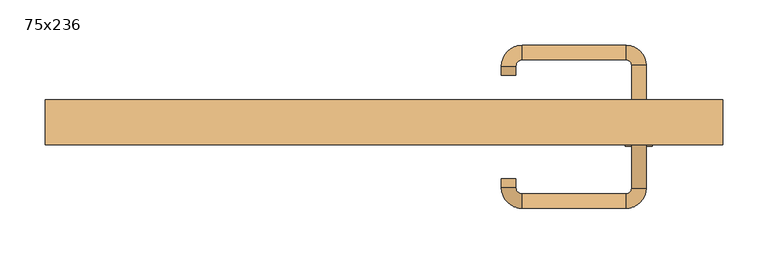
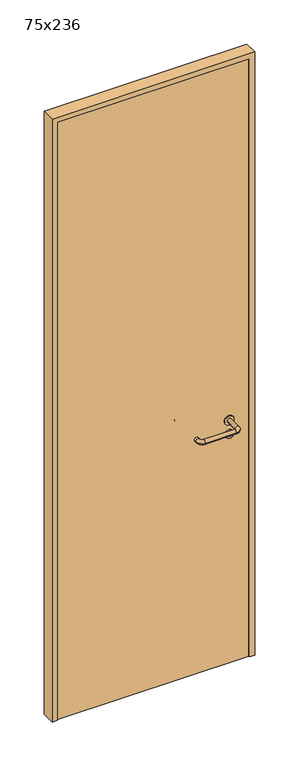
"""IFC4 building model written with IfcOpenShell, lengths in millimetres: door geometry, 75x236."""

from ifc_helpers import new_model, si_unit, point, frame, frame_2d, origin, origin_with_axes, place, context, project, spatial, polyline, circle_curve, ellipse_curve, trimmed, segment, composite_curve, outline, extrude, source, transform, mapped, element, save
from ifc_brep_helpers import plane_surface, cylinder_surface, revolved_surface, advanced_brep


def door_75x236_5211ec4a(model_context):
    return source(origin(), model_context, "Body", "SolidModel", [
        extrude(outline(composite_curve([segment(trimmed(circle_curve(frame_2d((897.3605726, 282.0)), 15.0), [point((897.3605726, 297.0))], [point((897.3605726, 267.0))], False, "CARTESIAN"), True, "CONTINUOUS"), segment(trimmed(circle_curve(frame_2d((897.3605726, 282.0)), 15.0), [point((897.3605726, 267.0))], [point((897.3605726, 297.0))], False, "CARTESIAN"), True, "CONTINUOUS")], self_intersect=False), holes=[composite_curve([segment(trimmed(circle_curve(frame_2d((892.5833211, 281.9398032)), 2.0), [point((892.5833211, 283.9398032))], [point((892.5833211, 279.9398032))], True, "CARTESIAN"), True, "CONTINUOUS"), segment(polyline([(892.5833211, 279.9398032), (902.5833211, 279.9398032)]), True, "CONTINUOUS"), segment(trimmed(circle_curve(frame_2d((902.5833211, 281.9398032)), 2.0), [point((902.5833211, 279.9398032))], [point((902.5833211, 283.9398032))], True, "CARTESIAN"), True, "CONTINUOUS"), segment(polyline([(902.5833211, 283.9398032), (892.5833211, 283.9398032)]), True, "CONTINUOUS")], self_intersect=False)]), frame((0.0, -15.0, 0.0), z_axis=(0.0, 1.0, 0.0), x_axis=(0.0, 0.0, 1.0)), (0.0, 0.0, 1.0), 6.35),
        extrude(outline(composite_curve([segment(trimmed(circle_curve(frame_2d((950.0, 282.0)), 17.526), [point((950.0, 299.526))], [point((950.0, 264.474))], False, "CARTESIAN"), True, "CONTINUOUS"), segment(trimmed(circle_curve(frame_2d((950.0, 282.0)), 17.526), [point((950.0, 264.474))], [point((950.0, 299.526))], False, "CARTESIAN"), True, "CONTINUOUS")], self_intersect=False)), frame((0.0, -15.0, 0.0), z_axis=(0.0, 1.0, 0.0), x_axis=(0.0, 0.0, 1.0)), (0.0, 0.0, 1.0), 3.175),
        advanced_brep(
        [(290.0, -15.0, 950.0), (274.0, -15.0, 950.0), (290.0, 38.0, 950.0), (274.0, 38.0, 950.0), (267.8578644, 44.1421356, 950.0), (267.8578644, 60.1421356, 950.0), (152.8578644, 60.1421356, 950.0), (152.8578644, 44.1421356, 950.0), (146.008622, 37.2928932, 950.0), (130.008622, 37.2928932, 950.0), (130.008622, 27.2928932, 950.0), (146.008622, 27.2928932, 950.0)],
        [
            (0, 1, circle_curve(frame((282.0, -15.0, 950.0), z_axis=(0.0, -1.0, 0.0), x_axis=(-1.0, 0.0, 0.0)), 8.0)),
            (1, 0, circle_curve(frame((282.0, -15.0, 950.0), z_axis=(0.0, -1.0, 0.0), x_axis=(-1.0, 0.0, 0.0)), 8.0)),
            (0, 2),
            (2, 3, circle_curve(frame((282.0, 38.0, 950.0), z_axis=(0.0, -1.0, 0.0), x_axis=(-1.0, 0.0, 0.0)), 8.0)),
            (3, 1),
            (3, 2, circle_curve(frame((282.0, 38.0, 950.0), z_axis=(0.0, -1.0, 0.0), x_axis=(-1.0, 0.0, 0.0)), 8.0)),
            (4, 3, circle_curve(frame((267.8578644, 38.0, 950.0), z_axis=(0.0, 0.0, -1.0), x_axis=(1.0, 0.0, 0.0)), 6.1421356)),
            (2, 5, circle_curve(frame((267.8578644, 38.0, 950.0), z_axis=(0.0, 0.0, 1.0), x_axis=(1.0, 0.0, 0.0)), 22.1421356)),
            (5, 4, circle_curve(frame((267.8578644, 52.1421356, 950.0), z_axis=(1.0, 0.0, 0.0), x_axis=(0.0, -1.0, 0.0)), 8.0)),
            (4, 5, circle_curve(frame((267.8578644, 52.1421356, 950.0), z_axis=(1.0, 0.0, 0.0), x_axis=(0.0, -1.0, 0.0)), 8.0)),
            (5, 6),
            (6, 7, circle_curve(frame((152.8578644, 52.1421356, 950.0), z_axis=(1.0, 0.0, 0.0), x_axis=(0.0, -1.0, 0.0)), 8.0)),
            (7, 4),
            (7, 6, circle_curve(frame((152.8578644, 52.1421356, 950.0), z_axis=(1.0, 0.0, 0.0), x_axis=(0.0, -1.0, 0.0)), 8.0)),
            (8, 7, circle_curve(frame((152.8578644, 37.2928932, 950.0), z_axis=(0.0, 0.0, -1.0), x_axis=(0.0, 1.0, 0.0)), 6.8492424)),
            (6, 9, circle_curve(frame((152.8578644, 37.2928932, 950.0), z_axis=(0.0, 0.0, 1.0), x_axis=(0.0, 1.0, 0.0)), 22.8492424)),
            (9, 8, circle_curve(frame((138.008622, 37.2928932, 950.0), z_axis=(0.0, 1.0, 0.0), x_axis=(1.0, 0.0, 0.0)), 8.0)),
            (8, 9, circle_curve(frame((138.008622, 37.2928932, 950.0), z_axis=(0.0, 1.0, 0.0), x_axis=(1.0, 0.0, 0.0)), 8.0)),
            (10, 11, circle_curve(frame((138.008622, 27.2928932, 950.0), z_axis=(0.0, -1.0, 0.0), x_axis=(1.0, 0.0, 0.0)), 8.0)),
            (11, 10, circle_curve(frame((138.008622, 27.2928932, 950.0), z_axis=(0.0, -1.0, 0.0), x_axis=(1.0, 0.0, 0.0)), 8.0)),
            (9, 10),
            (11, 8),
        ],
        [
            plane_surface(frame((282.0, -15.0, 0.0), z_axis=(0.0, -1.0, 0.0), x_axis=(0.0, 0.0, 1.0))),
            cylinder_surface(frame((282.0, -15.0, 950.0), z_axis=(0.0, -1.0, 0.0), x_axis=(-1.0, 0.0, 0.0)), 8.0),
            revolved_surface(trimmed(ellipse_curve(frame((282.0, 38.0, 950.0), z_axis=(0.0, -1.0, 0.0), x_axis=(-1.0, 0.0, 0.0)), 8.0, 8.0), [point((290.0, 38.0, 950.0))], [point((274.0, 38.0, 950.0))], True, "CARTESIAN"), (267.8578644, 38.0, 0.0), (0.0, 0.0, 1.0)),
            revolved_surface(trimmed(ellipse_curve(frame((282.0, 38.0, 950.0), z_axis=(0.0, -1.0, 0.0), x_axis=(-1.0, 0.0, 0.0)), 8.0, 8.0), [point((274.0, 38.0, 950.0))], [point((290.0, 38.0, 950.0))], True, "CARTESIAN"), (267.8578644, 38.0, 0.0), (0.0, 0.0, 1.0)),
            cylinder_surface(frame((267.8578644, 52.1421356, 950.0), z_axis=(1.0, 0.0, 0.0), x_axis=(0.0, -1.0, 0.0)), 8.0),
            revolved_surface(trimmed(ellipse_curve(frame((152.8578644, 52.1421356, 950.0), z_axis=(1.0, 0.0, 0.0), x_axis=(0.0, -1.0, 0.0)), 8.0, 8.0), [point((152.8578644, 60.1421356, 950.0))], [point((152.8578644, 44.1421356, 950.0))], True, "CARTESIAN"), (152.8578644, 37.2928932, 0.0), (0.0, 0.0, 1.0)),
            revolved_surface(trimmed(ellipse_curve(frame((152.8578644, 52.1421356, 950.0), z_axis=(1.0, 0.0, 0.0), x_axis=(0.0, -1.0, 0.0)), 8.0, 8.0), [point((152.8578644, 44.1421356, 950.0))], [point((152.8578644, 60.1421356, 950.0))], True, "CARTESIAN"), (152.8578644, 37.2928932, 0.0), (0.0, 0.0, 1.0)),
            plane_surface(frame((138.008622, 27.2928932, 0.0), z_axis=(0.0, -1.0, 0.0), x_axis=(0.0, 0.0, 1.0))),
            cylinder_surface(frame((138.008622, 37.2928932, 950.0), z_axis=(0.0, 1.0, 0.0), x_axis=(1.0, 0.0, 0.0)), 8.0),
        ],
        [
            (0, [[1, 2]]),
            (1, [[-1, 3, 4, 5]]),
            (1, [[-2, -5, 6, -3]]),
            (2, [[7, -4, 8, 9]]),
            (3, [[-8, -6, -7, 10]]),
            (4, [[-9, 11, 12, 13]]),
            (4, [[-10, -13, 14, -11]]),
            (5, [[15, -12, 16, 17]]),
            (6, [[-16, -14, -15, 18]]),
            (7, [[19, 20]]),
            (8, [[-17, 21, -20, 22]]),
            (8, [[-18, -22, -19, -21]]),
        ],
    ),
        extrude(outline(composite_curve([segment(trimmed(circle_curve(frame_2d((0.0, 15.0)), 15.0), [point((0.0, 30.0))], [point((0.0, 0.0))], False, "CARTESIAN"), True, "CONTINUOUS"), segment(trimmed(circle_curve(frame_2d((0.0, 15.0)), 15.0), [point((0.0, 0.0))], [point((0.0, 30.0))], False, "CARTESIAN"), True, "CONTINUOUS")], self_intersect=False), holes=[composite_curve([segment(trimmed(circle_curve(frame_2d((-4.7772515, 14.9398032)), 2.0), [point((-4.7772515, 16.9398032))], [point((-4.7772515, 12.9398032))], True, "CARTESIAN"), True, "CONTINUOUS"), segment(polyline([(-4.7772515, 12.9398032), (5.2227485, 12.9398032)]), True, "CONTINUOUS"), segment(trimmed(circle_curve(frame_2d((5.2227485, 14.9398032)), 2.0), [point((5.2227485, 12.9398032))], [point((5.2227485, 16.9398032))], True, "CARTESIAN"), True, "CONTINUOUS"), segment(polyline([(5.2227485, 16.9398032), (-4.7772515, 16.9398032)]), True, "CONTINUOUS")], self_intersect=False)]), frame((267.0, -51.35, 897.3605726), z_axis=(-1.8870575173328306e-12, 1.0, 0.0), x_axis=(0.0, 0.0, 1.0)), (0.0, 0.0, 1.0), 6.35),
        extrude(outline(composite_curve([segment(trimmed(circle_curve(frame_2d((0.0, 17.526)), 17.526), [point((0.0, 35.052))], [point((0.0, 0.0))], False, "CARTESIAN"), True, "CONTINUOUS"), segment(trimmed(circle_curve(frame_2d((0.0, 17.526)), 17.526), [point((0.0, 0.0))], [point((0.0, 35.052))], False, "CARTESIAN"), True, "CONTINUOUS")], self_intersect=False)), frame((264.474, -48.175, 950.0), z_axis=(-1.8870575173328306e-12, 1.0, 0.0), x_axis=(0.0, 0.0, 1.0)), (0.0, 0.0, 1.0), 3.175),
        advanced_brep(
        [(290.0, -45.0, 950.0), (274.0, -45.0, 950.0), (274.0, -98.0, 950.0), (290.0, -98.0, 950.0), (267.8578644, -104.1421356, 950.0), (267.8578644, -120.1421356, 950.0), (152.8578644, -104.1421356, 950.0), (152.8578644, -120.1421356, 950.0), (146.008622, -97.2928932, 950.0), (130.008622, -97.2928932, 950.0), (130.008622, -87.2928932, 950.0), (146.008622, -87.2928932, 950.0)],
        [
            (0, 1, circle_curve(frame((282.0, -45.0, 950.0), z_axis=(-1.888672253512351e-12, 1.0, 0.0), x_axis=(-1.0, -1.888672253512351e-12, 0.0)), 8.0)),
            (1, 0, circle_curve(frame((282.0, -45.0, 950.0), z_axis=(-1.888672253512351e-12, 1.0, 0.0), x_axis=(-1.0, -1.888672253512351e-12, 0.0)), 8.0)),
            (1, 2),
            (2, 3, circle_curve(frame((282.0, -98.0, 950.0), z_axis=(-1.888672253512351e-12, 1.0, 0.0), x_axis=(-1.0, -1.888672253512351e-12, 0.0)), 8.0)),
            (3, 0),
            (3, 2, circle_curve(frame((282.0, -98.0, 950.0), z_axis=(-1.888672253512351e-12, 1.0, 0.0), x_axis=(-1.0, -1.888672253512351e-12, 0.0)), 8.0)),
            (4, 5, circle_curve(frame((267.8578644, -112.1421356, 950.0), z_axis=(1.0, 1.913702061528922e-12, 0.0), x_axis=(-1.913702061528922e-12, 1.0, 0.0)), 8.0)),
            (5, 3, circle_curve(frame((267.8578644, -98.0, 950.0), z_axis=(0.0, 0.0, 1.0), x_axis=(1.0, 1.880717803715015e-12, 0.0)), 22.1421356)),
            (2, 4, circle_curve(frame((267.8578644, -98.0, 950.0), z_axis=(0.0, 0.0, -1.0), x_axis=(1.0, 1.880717803715015e-12, 0.0)), 6.1421356)),
            (5, 4, circle_curve(frame((267.8578644, -112.1421356, 950.0), z_axis=(1.0, 1.913702061528922e-12, 0.0), x_axis=(-1.913702061528922e-12, 1.0, 0.0)), 8.0)),
            (4, 6),
            (6, 7, circle_curve(frame((152.8578644, -112.1421356, 950.0), z_axis=(1.0, 1.913719828541269e-12, 0.0), x_axis=(-1.913719828541269e-12, 1.0, 0.0)), 8.0)),
            (7, 5),
            (7, 6, circle_curve(frame((152.8578644, -112.1421356, 950.0), z_axis=(1.0, 1.913719828541269e-12, 0.0), x_axis=(-1.913719828541269e-12, 1.0, 0.0)), 8.0)),
            (8, 9, circle_curve(frame((138.008622, -97.2928932, 950.0), z_axis=(1.8888942981172756e-12, -1.0, 0.0), x_axis=(1.0, 1.8888942981172756e-12, 0.0)), 8.0)),
            (9, 7, circle_curve(frame((152.8578644, -97.2928932, 950.0), z_axis=(0.0, 0.0, 1.0), x_axis=(1.9120873253494017e-12, -1.0, 0.0)), 22.8492424)),
            (6, 8, circle_curve(frame((152.8578644, -97.2928932, 950.0), z_axis=(0.0, 0.0, -1.0), x_axis=(1.9120873253494017e-12, -1.0, 0.0)), 6.8492424)),
            (9, 8, circle_curve(frame((138.008622, -97.2928932, 950.0), z_axis=(1.890448610351751e-12, -1.0, 0.0), x_axis=(1.0, 1.890448610351751e-12, 0.0)), 8.0)),
            (10, 11, circle_curve(frame((138.008622, -87.2928932, 950.0), z_axis=(-1.8903642334018795e-12, 1.0, 0.0), x_axis=(1.0, 1.8903642334018795e-12, 0.0)), 8.0)),
            (11, 10, circle_curve(frame((138.008622, -87.2928932, 950.0), z_axis=(-1.8903642334018795e-12, 1.0, 0.0), x_axis=(1.0, 1.8903642334018795e-12, 0.0)), 8.0)),
            (8, 11),
            (10, 9),
        ],
        [
            plane_surface(frame((282.0, -45.0, 0.0), z_axis=(-1.8870575173328306e-12, 1.0, 0.0), x_axis=(0.0, 0.0, 1.0))),
            cylinder_surface(frame((282.0, -45.0, 950.0), z_axis=(-1.888672253512351e-12, 1.0, 0.0), x_axis=(-1.0, -1.888672253512351e-12, 0.0)), 8.0),
            revolved_surface(trimmed(ellipse_curve(frame((282.0, -98.0, 950.0), z_axis=(1.8823325398945356e-12, -1.0, 0.0), x_axis=(-1.0, -1.8823325398945356e-12, 0.0)), 8.0, 8.0), [point((290.0, -98.0, 950.0))], [point((274.0, -98.0, 950.0))], True, "CARTESIAN"), (267.8578644, -98.0, 0.0), (0.0, 0.0, 1.0)),
            revolved_surface(trimmed(ellipse_curve(frame((282.0, -98.0, 950.0), z_axis=(1.8823325398945356e-12, -1.0, 0.0), x_axis=(-1.0, -1.8823325398945356e-12, 0.0)), 8.0, 8.0), [point((274.0, -98.0, 950.0))], [point((290.0, -98.0, 950.0))], True, "CARTESIAN"), (267.8578644, -98.0, 0.0), (0.0, 0.0, 1.0)),
            cylinder_surface(frame((267.8578644, -112.1421356, 950.0), z_axis=(1.0, 1.913719828541269e-12, 0.0), x_axis=(-1.913719828541269e-12, 1.0, 0.0)), 8.0),
            revolved_surface(trimmed(ellipse_curve(frame((152.8578644, -112.1421356, 950.0), z_axis=(-1.0, -1.913702061528922e-12, 0.0), x_axis=(-1.913702061528922e-12, 1.0, 0.0)), 8.0, 8.0), [point((152.8578644, -120.1421356, 950.0))], [point((152.8578644, -104.1421356, 950.0))], True, "CARTESIAN"), (152.8578644, -97.2928932, 0.0), (0.0, 0.0, 1.0)),
            revolved_surface(trimmed(ellipse_curve(frame((152.8578644, -112.1421356, 950.0), z_axis=(-1.0, -1.913702061528922e-12, 0.0), x_axis=(-1.913702061528922e-12, 1.0, 0.0)), 8.0, 8.0), [point((152.8578644, -104.1421356, 950.0))], [point((152.8578644, -120.1421356, 950.0))], True, "CARTESIAN"), (152.8578644, -97.2928932, 0.0), (0.0, 0.0, 1.0)),
            plane_surface(frame((138.008622, -87.2928932, 0.0), z_axis=(-1.8887494972223595e-12, 1.0, 0.0), x_axis=(0.0, 0.0, 1.0))),
            cylinder_surface(frame((138.008622, -97.2928932, 950.0), z_axis=(1.8903642334018795e-12, -1.0, 0.0), x_axis=(1.0, 1.8903642334018795e-12, 0.0)), 8.0),
        ],
        [
            (0, [[1, 2]]),
            (1, [[3, 4, 5, -2]]),
            (1, [[-5, 6, -3, -1]]),
            (2, [[7, 8, -4, 9]]),
            (3, [[10, -9, -6, -8]]),
            (4, [[11, 12, 13, -7]]),
            (4, [[-13, 14, -11, -10]]),
            (5, [[15, 16, -12, 17]]),
            (6, [[18, -17, -14, -16]]),
            (7, [[19, 20]]),
            (8, [[21, -19, 22, -15]]),
            (8, [[-22, -20, -21, -18]]),
        ],
    ),
        extrude(outline(polyline([(2340.0, 355.0), (0.0, 355.0), (0.0, 375.0), (2360.0, 375.0), (2360.0, -375.0), (0.0, -375.0), (0.0, -355.0), (2340.0, -355.0), (2340.0, 355.0)])), frame((0.0, -50.0, 0.0), z_axis=(0.0, 1.0, 0.0), x_axis=(0.0, 0.0, 1.0)), (0.0, 0.0, 1.0), 50.0),
        extrude(outline(polyline([(-355.0, -45.0), (-355.0, -15.0), (355.0, -15.0), (355.0, -45.0), (-355.0, -45.0)])), origin_with_axes(), (0.0, 0.0, 1.0), 2340.0),
    ])


if __name__ == "__main__":
    model = new_model("IFC4")
    model_context = context("Model", 3, world=origin())
    ifc_project = project(units=[si_unit("LENGTHUNIT", "METRE", prefix="MILLI")], contexts=[model_context])
    site = spatial("IfcSite", under=ifc_project)
    building = spatial("IfcBuilding", under=site)
    placement = place(None, origin())
    door_75x236_shape = door_75x236_5211ec4a(model_context)
    element("IfcDoor", 1, ObjectType="75x236", at=placement, inside=building, context=model_context, shape_type="MappedRepresentation", body=[
        mapped(door_75x236_shape, transform((0.0, 0.0, 0.0), x_axis=(1.0, 0.0, 0.0), y_axis=(0.0, 1.0, 0.0), z_axis=(0.0, 0.0, 1.0))),
    ])
    save(model, "model.ifc")
